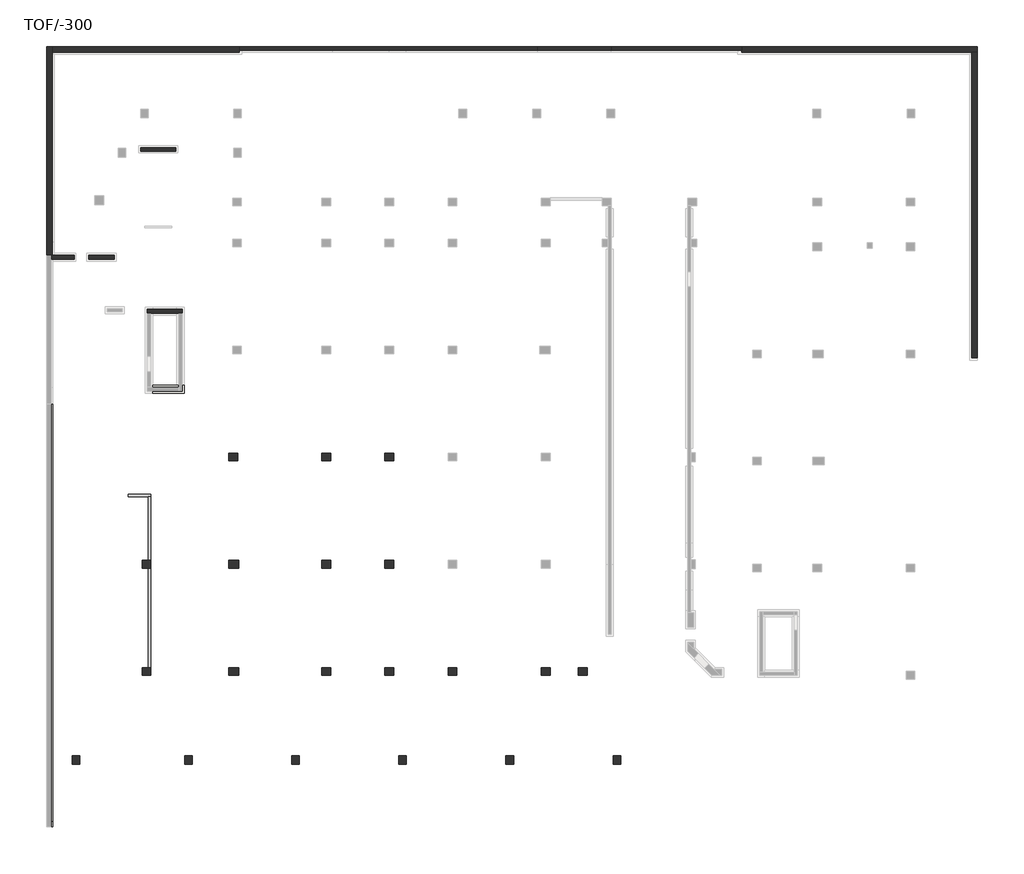
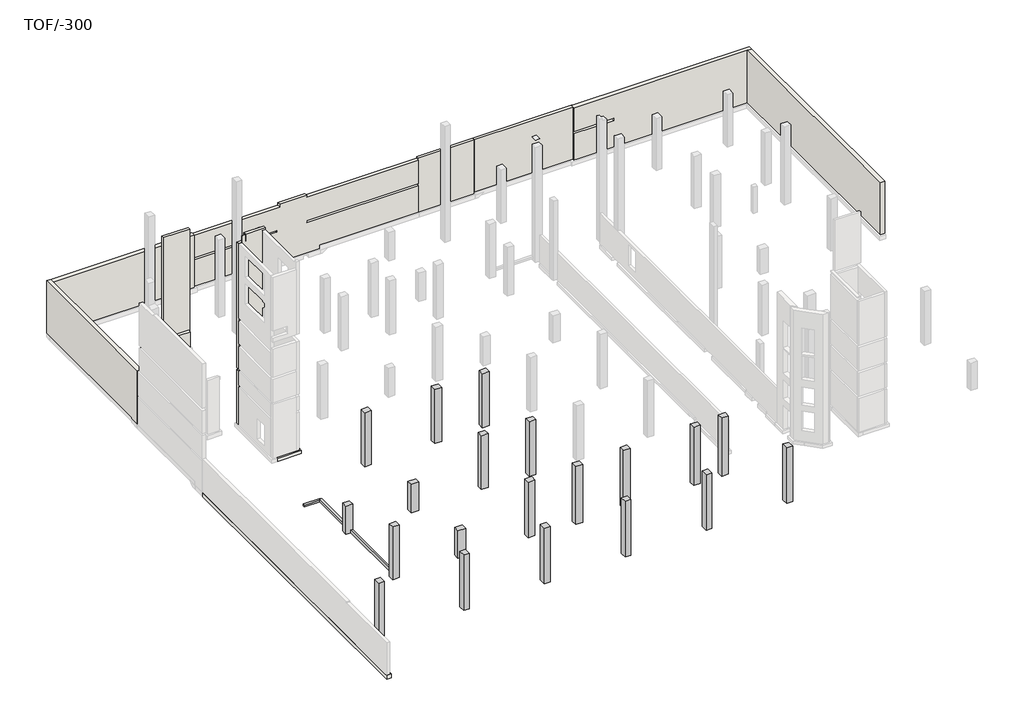
# One storey, part 2 of 4: 20 columns, 11 walls, 2 beams, 2 footings.
"""IFC4 building model written with IfcOpenShell, lengths in millimetres."""

from ifc_helpers import new_model, si_unit, frame, origin, place, context, project, spatial, polyline, outline, extrude, faceted_brep, element, save

model = new_model("IFC4")

# Units and contexts
model_context = context("Model", 3, world=origin())
ifc_project = project(units=[si_unit("LENGTHUNIT", "METRE", prefix="MILLI")], contexts=[model_context])

# Site, building, storey
site = spatial("IfcSite", under=ifc_project)
building = spatial("IfcBuilding", under=site)
storey = spatial("IfcBuildingStorey", under=building, Name="TOF/-300", Elevation=-14100.0)

# Beams
placement = place(None, origin())
element("IfcBeam", 1, ObjectType="200x300", at=placement, inside=storey, context=model_context, shape_type="Brep", body=[
    faceted_brep([(184401.1489175, 183257.2325529, -14100.0), (186001.1489175, 183257.2325529, -14100.0), (186201.1489175, 183257.2325529, -14100.0), (186201.1489175, 183257.2325529, -13900.0), (184401.1489175, 183257.2325529, -13900.0), (184401.1489175, 183457.2325529, -14100.0), (186201.1489175, 183457.2325529, -14100.0), (184401.1489175, 183457.2325529, -13900.0), (186201.1489175, 183457.2325529, -13900.0)], [[[0, 1, 2, 3, 4]], [[0, 5, 6, 2, 1]], [[6, 5, 7, 8]], [[5, 0, 4, 7]], [[2, 6, 8, 3]], [[4, 3, 8, 7]]]),
])
element("IfcBeam", 2, ObjectType="200x300", at=placement, inside=storey, context=model_context, shape_type="Brep", body=[
    faceted_brep([(186001.1489175, 183257.2325529, -13800.0), (186001.1489175, 178263.2322067, -13800.0), (186201.1489175, 178263.2322067, -13800.0), (186201.1489175, 183257.2325529, -13800.0), (186001.1489175, 183257.2325529, -14100.0), (186001.1489175, 178263.2322067, -14100.0), (186201.1489175, 183257.2325529, -14100.0), (186201.1489175, 178263.2322067, -14100.0), (186201.1489175, 183257.2325529, -13900.0)], [[[0, 1, 2, 3]], [[1, 0, 4, 5]], [[4, 6, 7, 5]], [[3, 2, 7, 6, 8]], [[0, 3, 8, 6, 4]], [[2, 1, 5, 7]]]),
    faceted_brep([(186001.1489175, 169863.2322067, -13800.0), (186001.1489175, 177663.2322067, -13800.0), (186001.1489175, 177663.2322067, -14100.0), (186001.1489175, 170363.2322067, -14100.0), (186001.1489175, 170363.2322067, -14000.0), (186001.1489175, 169863.2322067, -14000.0), (186201.1489175, 169863.2322067, -13800.0), (186201.1489175, 177663.2322067, -13800.0), (186201.1489175, 177663.2322067, -14100.0), (186201.1489175, 170363.2322067, -14100.0), (186201.1489175, 169863.2322067, -14000.0), (186201.1489175, 170363.2322067, -14000.0)], [[[0, 1, 2, 3, 4, 5]], [[1, 0, 6, 7]], [[2, 8, 9, 3]], [[7, 6, 10, 11, 9, 8]], [[6, 0, 5, 10]], [[1, 7, 8, 2]], [[4, 11, 10, 5]], [[11, 4, 3, 9]]]),
])

# Columns
element("IfcColumn", 3, ObjectType="SE_CONCRETE COLUMN_RECTANGULAR : 600X700", at=placement, inside=storey, context=model_context, shape_type="Brep", body=[
    faceted_brep([(209496.1491692, 169863.2322067, -14600.0), (210196.1491692, 169863.2322067, -14600.0), (210196.1491692, 169263.2322067, -14600.0), (209496.1491692, 169263.2322067, -14600.0), (209496.1491692, 169863.2322067, -8200.0), (210196.1491692, 169863.2322067, -8200.0), (210196.1491692, 169863.2322067, -8204.9560519), (210196.1491692, 169863.2322067, -8314.9669619), (210196.1491692, 169863.2322067, -11004.9560519), (210196.1491692, 169863.2322067, -11114.9669619), (209496.1491692, 169863.2322067, -11114.9669619), (209496.1491692, 169863.2322067, -11004.9560519), (209496.1491692, 169863.2322067, -8314.9669619), (209496.1491692, 169863.2322067, -8204.9560519), (210196.1491692, 169263.2322067, -8200.0), (209496.1491692, 169263.2322067, -8200.0)], [[[0, 1, 2, 3]], [[4, 5, 6, 7, 8, 9, 1, 0, 10, 11, 12, 13]], [[5, 14, 2, 1, 9, 8, 7, 6]], [[14, 15, 3, 2]], [[15, 4, 13, 12, 11, 10, 0, 3]], [[4, 15, 14, 5]]]),
])
element("IfcColumn", 4, ObjectType="SE_CONCRETE COLUMN_RECTANGULAR : 600X700", at=placement, inside=storey, context=model_context, shape_type="Brep", body=[
    faceted_brep([(192996.1491692, 186063.2322067, -14150.0), (192296.1491692, 186063.2322067, -14150.0), (192296.1491692, 186663.2322067, -14150.0), (192996.1491692, 186663.2322067, -14150.0), (192996.1491692, 186063.2322067, -8200.0), (192296.1491692, 186063.2322067, -8200.0), (192296.1491692, 186063.2322067, -8400.0), (192296.1491692, 186063.2322067, -8510.0), (192296.1491692, 186063.2322067, -11200.0), (192296.1491692, 186063.2322067, -11310.0), (192996.1491692, 186063.2322067, -11310.0), (192996.1491692, 186063.2322067, -11200.0), (192996.1491692, 186063.2322067, -8510.0), (192996.1491692, 186063.2322067, -8400.0), (192296.1491692, 186663.2322067, -8200.0), (192296.1491692, 186663.2322067, -8400.0), (192296.1491692, 186663.2322067, -8510.0), (192296.1491692, 186663.2322067, -11200.0), (192296.1491692, 186663.2322067, -11310.0), (192996.1491692, 186663.2322067, -8200.0), (192996.1491692, 186663.2322067, -8400.0), (192996.1491692, 186663.2322067, -8510.0), (192996.1491692, 186663.2322067, -11200.0), (192996.1491692, 186663.2322067, -11310.0)], [[[0, 1, 2, 3]], [[4, 5, 6, 7, 8, 9, 1, 0, 10, 11, 12, 13]], [[5, 14, 15, 16, 17, 18, 2, 1, 9, 8, 7, 6]], [[14, 19, 20, 21, 22, 23, 3, 2, 18, 17, 16, 15]], [[19, 4, 13, 12, 11, 10, 0, 3, 23, 22, 21, 20]], [[4, 19, 14, 5]]]),
])
element("IfcColumn", 5, ObjectType="SE_CONCRETE COLUMN_RECTANGULAR : 600X700", at=placement, inside=storey, context=model_context, shape_type="Brep", body=[
    faceted_brep([(205246.1491692, 186063.2322067, -14150.0), (204546.1491692, 186063.2322067, -14150.0), (204546.1491692, 186663.2322067, -14150.0), (205246.1491692, 186663.2322067, -14150.0), (205246.1491692, 186063.2322067, -8200.0), (204546.1491692, 186063.2322067, -8200.0), (204546.1491692, 186063.2322067, -8400.0), (204546.1491692, 186063.2322067, -8510.0), (204546.1491692, 186063.2322067, -11200.0), (204546.1491692, 186063.2322067, -11310.0), (205246.1491692, 186063.2322067, -11310.0), (205246.1491692, 186063.2322067, -11200.0), (205246.1491692, 186063.2322067, -8510.0), (205246.1491692, 186063.2322067, -8400.0), (204546.1491692, 186663.2322067, -8200.0), (204546.1491692, 186663.2322067, -8400.0), (204546.1491692, 186663.2322067, -8510.0), (204546.1491692, 186663.2322067, -11200.0), (204546.1491692, 186663.2322067, -11310.0), (205246.1491692, 186663.2322067, -8200.0), (205246.1491692, 186663.2322067, -8400.0), (205246.1491692, 186663.2322067, -8510.0), (205246.1491692, 186663.2322067, -11200.0), (205246.1491692, 186663.2322067, -11310.0)], [[[0, 1, 2, 3]], [[4, 5, 6, 7, 8, 9, 1, 0, 10, 11, 12, 13]], [[5, 14, 15, 16, 17, 18, 2, 1, 9, 8, 7, 6]], [[14, 19, 20, 21, 22, 23, 3, 2, 18, 17, 16, 15]], [[19, 4, 13, 12, 11, 10, 0, 3, 23, 22, 21, 20]], [[4, 19, 14, 5]]]),
])
element("IfcColumn", 6, ObjectType="SE_CONCRETE COLUMN_RECTANGULAR : 600X700", at=placement, inside=storey, context=model_context, shape_type="Brep", body=[
    faceted_brep([(205246.1491692, 177663.2322067, -14400.0), (204546.1491692, 177663.2322067, -14400.0), (204546.1491692, 178263.2322067, -14400.0), (205246.1491692, 178263.2322067, -14400.0), (205246.1491692, 177663.2322067, -8400.0), (204546.1491692, 177663.2322067, -8400.0), (204546.1491692, 177663.2322067, -8425.6530043), (204546.1491692, 177663.2322067, -11115.6420944), (204546.1491692, 177663.2322067, -11225.6530043), (205246.1491692, 177663.2322067, -11225.6530043), (205246.1491692, 177663.2322067, -11115.6420944), (205246.1491692, 177663.2322067, -8425.6530043), (204546.1491692, 178263.2322067, -8400.0), (204546.1491692, 178263.2322067, -8434.1037086), (204546.1491692, 178263.2322067, -11124.0927986), (204546.1491692, 178263.2322067, -11234.1037086), (205246.1491692, 178263.2322067, -8400.0), (205246.1491692, 178263.2322067, -8434.1037086), (205246.1491692, 178263.2322067, -11124.0927986), (205246.1491692, 178263.2322067, -11234.1037086)], [[[0, 1, 2, 3]], [[4, 5, 6, 7, 8, 1, 0, 9, 10, 11]], [[5, 12, 13, 14, 15, 2, 1, 8, 7, 6]], [[12, 16, 17, 18, 19, 3, 2, 15, 14, 13]], [[16, 4, 11, 10, 9, 0, 3, 19, 18, 17]], [[4, 16, 12, 5]]]),
])
element("IfcColumn", 7, ObjectType="SE_CONCRETE COLUMN_RECTANGULAR : 600X700", at=placement, inside=storey, context=model_context, shape_type="Brep", body=[
    faceted_brep([(204546.1491692, 169863.2322067, -14600.0), (205246.1491692, 169863.2322067, -14600.0), (205246.1491692, 169263.2322067, -14600.0), (204546.1491692, 169263.2322067, -14600.0), (204546.1491692, 169863.2322067, -8200.0), (205246.1491692, 169863.2322067, -8200.0), (205246.1491692, 169863.2322067, -8204.9560519), (205246.1491692, 169863.2322067, -8314.9669619), (205246.1491692, 169863.2322067, -11004.9560519), (205246.1491692, 169863.2322067, -11114.9669619), (204546.1491692, 169863.2322067, -11114.9669619), (204546.1491692, 169863.2322067, -11004.9560519), (204546.1491692, 169863.2322067, -8314.9669619), (204546.1491692, 169863.2322067, -8204.9560519), (205246.1491692, 169263.2322067, -8200.0), (204546.1491692, 169263.2322067, -8200.0)], [[[0, 1, 2, 3]], [[4, 5, 6, 7, 8, 9, 1, 0, 10, 11, 12, 13]], [[5, 14, 2, 1, 9, 8, 7, 6]], [[14, 15, 3, 2]], [[15, 4, 13, 12, 11, 10, 0, 3]], [[4, 15, 14, 5]]]),
])
element("IfcColumn", 8, ObjectType="SE_CONCRETE COLUMN_RECTANGULAR : 600X700", at=placement, inside=storey, context=model_context, shape_type="Brep", body=[
    faceted_brep([(200296.1491692, 186063.2322067, -14150.0), (199596.1491692, 186063.2322067, -14150.0), (199596.1491692, 186663.2322067, -14150.0), (200296.1491692, 186663.2322067, -14150.0), (200296.1491692, 186063.2322067, -8200.0), (199596.1491692, 186063.2322067, -8200.0), (199596.1491692, 186063.2322067, -8400.0), (199596.1491692, 186063.2322067, -8510.0), (199596.1491692, 186063.2322067, -11200.0), (199596.1491692, 186063.2322067, -11310.0), (200296.1491692, 186063.2322067, -11310.0), (200296.1491692, 186063.2322067, -11200.0), (200296.1491692, 186063.2322067, -8510.0), (200296.1491692, 186063.2322067, -8400.0), (199596.1491692, 186663.2322067, -8200.0), (199596.1491692, 186663.2322067, -8400.0), (199596.1491692, 186663.2322067, -8510.0), (199596.1491692, 186663.2322067, -11200.0), (199596.1491692, 186663.2322067, -11310.0), (200296.1491692, 186663.2322067, -8200.0), (200296.1491692, 186663.2322067, -8400.0), (200296.1491692, 186663.2322067, -8510.0), (200296.1491692, 186663.2322067, -11200.0), (200296.1491692, 186663.2322067, -11310.0)], [[[0, 1, 2, 3]], [[4, 5, 6, 7, 8, 9, 1, 0, 10, 11, 12, 13]], [[5, 14, 15, 16, 17, 18, 2, 1, 9, 8, 7, 6]], [[14, 19, 20, 21, 22, 23, 3, 2, 18, 17, 16, 15]], [[19, 4, 13, 12, 11, 10, 0, 3, 23, 22, 21, 20]], [[4, 19, 14, 5]]]),
])
element("IfcColumn", 9, ObjectType="SE_CONCRETE COLUMN_RECTANGULAR : 600X700", at=placement, inside=storey, context=model_context, shape_type="Brep", body=[
    faceted_brep([(200296.1491692, 177663.2322067, -14100.0), (199596.1491692, 177663.2322067, -14100.0), (199596.1491692, 178263.2322067, -14100.0), (200296.1491692, 178263.2322067, -14100.0), (200296.1491692, 177663.2322067, -8200.0), (199596.1491692, 177663.2322067, -8200.0), (199596.1491692, 177663.2322067, -8315.6420944), (199596.1491692, 177663.2322067, -8425.6530043), (199596.1491692, 177663.2322067, -11115.6420944), (199596.1491692, 177663.2322067, -11225.6530043), (200296.1491692, 177663.2322067, -11225.6530043), (200296.1491692, 177663.2322067, -11115.6420944), (200296.1491692, 177663.2322067, -8425.6530043), (200296.1491692, 177663.2322067, -8315.6420944), (199596.1491692, 178263.2322067, -8200.0), (199596.1491692, 178263.2322067, -8324.0927986), (199596.1491692, 178263.2322067, -8434.1037086), (199596.1491692, 178263.2322067, -11124.0927986), (199596.1491692, 178263.2322067, -11234.1037086), (200296.1491692, 178263.2322067, -8200.0), (200296.1491692, 178263.2322067, -8324.0927986), (200296.1491692, 178263.2322067, -8434.1037086), (200296.1491692, 178263.2322067, -11124.0927986), (200296.1491692, 178263.2322067, -11234.1037086)], [[[0, 1, 2, 3]], [[4, 5, 6, 7, 8, 9, 1, 0, 10, 11, 12, 13]], [[5, 14, 15, 16, 17, 18, 2, 1, 9, 8, 7, 6]], [[14, 19, 20, 21, 22, 23, 3, 2, 18, 17, 16, 15]], [[19, 4, 13, 12, 11, 10, 0, 3, 23, 22, 21, 20]], [[4, 19, 14, 5]]]),
])
element("IfcColumn", 10, ObjectType="SE_CONCRETE COLUMN_RECTANGULAR : 600X700", at=placement, inside=storey, context=model_context, shape_type="Brep", body=[
    faceted_brep([(199596.1491692, 169863.2322067, -14300.0), (200296.1491692, 169863.2322067, -14300.0), (200296.1491692, 169263.2322067, -14300.0), (199596.1491692, 169263.2322067, -14300.0), (199596.1491692, 169863.2322067, -8200.0), (200296.1491692, 169863.2322067, -8200.0), (200296.1491692, 169863.2322067, -8204.9560519), (200296.1491692, 169863.2322067, -8314.9669619), (200296.1491692, 169863.2322067, -11004.9560519), (200296.1491692, 169863.2322067, -11114.9669619), (199596.1491692, 169863.2322067, -11114.9669619), (199596.1491692, 169863.2322067, -11004.9560519), (199596.1491692, 169863.2322067, -8314.9669619), (199596.1491692, 169863.2322067, -8204.9560519), (200296.1491692, 169263.2322067, -8200.0), (199596.1491692, 169263.2322067, -8200.0)], [[[0, 1, 2, 3]], [[4, 5, 6, 7, 8, 9, 1, 0, 10, 11, 12, 13]], [[5, 14, 2, 1, 9, 8, 7, 6]], [[14, 15, 3, 2]], [[15, 4, 13, 12, 11, 10, 0, 3]], [[4, 15, 14, 5]]]),
])
element("IfcColumn", 11, ObjectType="SE_CONCRETE COLUMN_RECTANGULAR : 600X700", at=placement, inside=storey, context=model_context, shape_type="Brep", body=[
    faceted_brep([(197836.3204833, 162963.2318341, -14300.0), (197836.3204833, 162263.2318341, -14300.0), (197236.3204833, 162263.2318341, -14300.0), (197236.3204833, 162963.2318341, -14300.0), (197836.3204833, 162963.2318341, -8200.0), (197836.3204833, 162263.2318341, -8200.0), (197836.3204833, 162263.2318341, -11000.0), (197836.3204833, 162263.2318341, -11110.0), (197836.3204833, 162963.2318341, -11110.0), (197836.3204833, 162963.2318341, -11000.0), (197236.3204833, 162263.2318341, -8200.0), (197236.3204833, 162263.2318341, -11000.0), (197236.3204833, 162263.2318341, -11110.0), (197236.3204833, 162963.2318341, -8200.0), (197236.3204833, 162963.2318341, -11000.0), (197236.3204833, 162963.2318341, -11110.0)], [[[0, 1, 2, 3]], [[4, 5, 6, 7, 1, 0, 8, 9]], [[5, 10, 11, 12, 2, 1, 7, 6]], [[10, 13, 14, 15, 3, 2, 12, 11]], [[13, 4, 9, 8, 0, 3, 15, 14]], [[4, 13, 10, 5]]]),
])
element("IfcColumn", 12, ObjectType="SE_CONCRETE COLUMN_RECTANGULAR : 600X700", at=placement, inside=storey, context=model_context, shape_type="Brep", body=[
    faceted_brep([(206236.3204833, 162963.2318341, -14300.0), (206236.3204833, 162263.2318341, -14300.0), (205636.3204833, 162263.2318341, -14300.0), (205636.3204833, 162963.2318341, -14300.0), (206236.3204833, 162963.2318341, -8200.0), (206236.3204833, 162263.2318341, -8200.0), (206236.3204833, 162263.2318341, -8310.0), (206236.3204833, 162263.2318341, -11000.0), (206236.3204833, 162263.2318341, -11110.0), (206236.3204833, 162963.2318341, -11110.0), (206236.3204833, 162963.2318341, -11000.0), (206236.3204833, 162963.2318341, -8310.0), (205636.3204833, 162263.2318341, -8200.0), (205636.3204833, 162263.2318341, -8310.0), (205636.3204833, 162263.2318341, -11000.0), (205636.3204833, 162263.2318341, -11110.0), (205636.3204833, 162963.2318341, -8200.0), (205636.3204833, 162963.2318341, -8310.0), (205636.3204833, 162963.2318341, -11000.0), (205636.3204833, 162963.2318341, -11110.0)], [[[0, 1, 2, 3]], [[4, 5, 6, 7, 8, 1, 0, 9, 10, 11]], [[5, 12, 13, 14, 15, 2, 1, 8, 7, 6]], [[12, 16, 17, 18, 19, 3, 2, 15, 14, 13]], [[16, 4, 11, 10, 9, 0, 3, 19, 18, 17]], [[4, 16, 12, 5]]]),
])
element("IfcColumn", 13, ObjectType="SE_CONCRETE COLUMN_RECTANGULAR : 600X700", at=placement, inside=storey, context=model_context, shape_type="Brep", body=[
    faceted_brep([(214636.3204833, 162963.2318341, -14300.0), (214636.3204833, 162263.2318341, -14300.0), (214036.3204833, 162263.2318341, -14300.0), (214036.3204833, 162963.2318341, -14300.0), (214636.3204833, 162963.2318341, -8200.0), (214636.3204833, 162263.2318341, -8200.0), (214636.3204833, 162263.2318341, -8310.0), (214636.3204833, 162263.2318341, -11000.0), (214636.3204833, 162263.2318341, -11110.0), (214636.3204833, 162963.2318341, -11110.0), (214636.3204833, 162963.2318341, -11000.0), (214636.3204833, 162963.2318341, -8310.0), (214036.3204833, 162263.2318341, -8200.0), (214036.3204833, 162263.2318341, -8310.0), (214036.3204833, 162263.2318341, -11000.0), (214036.3204833, 162263.2318341, -11110.0), (214036.3204833, 162963.2318341, -8200.0), (214036.3204833, 162963.2318341, -8310.0), (214036.3204833, 162963.2318341, -11000.0), (214036.3204833, 162963.2318341, -11110.0)], [[[0, 1, 2, 3]], [[4, 5, 6, 7, 8, 1, 0, 9, 10, 11]], [[5, 12, 13, 14, 15, 2, 1, 8, 7, 6]], [[12, 16, 17, 18, 19, 3, 2, 15, 14, 13]], [[16, 4, 11, 10, 9, 0, 3, 19, 18, 17]], [[4, 16, 12, 5]]]),
])
element("IfcColumn", 14, ObjectType="SE_CONCRETE COLUMN_RECTANGULAR : 600X700", at=placement, inside=storey, context=model_context, shape_type="Brep", body=[
    faceted_brep([(223036.3204833, 162963.2318341, -14300.0), (223036.3204833, 162263.2318341, -14300.0), (222436.3204833, 162263.2318341, -14300.0), (222436.3204833, 162963.2318341, -14300.0), (223036.3204833, 162963.2318341, -8200.0), (223036.3204833, 162263.2318341, -8200.0), (223036.3204833, 162263.2318341, -8310.0), (223036.3204833, 162263.2318341, -11000.0), (223036.3204833, 162263.2318341, -11110.0), (223036.3204833, 162963.2318341, -11110.0), (223036.3204833, 162963.2318341, -11000.0), (223036.3204833, 162963.2318341, -8310.0), (222436.3204833, 162263.2318341, -8200.0), (222436.3204833, 162263.2318341, -8310.0), (222436.3204833, 162263.2318341, -11000.0), (222436.3204833, 162263.2318341, -11110.0), (222436.3204833, 162963.2318341, -8200.0), (222436.3204833, 162963.2318341, -8310.0), (222436.3204833, 162963.2318341, -11000.0), (222436.3204833, 162963.2318341, -11110.0)], [[[0, 1, 2, 3]], [[4, 5, 6, 7, 8, 1, 0, 9, 10, 11]], [[5, 12, 13, 14, 15, 2, 1, 8, 7, 6]], [[12, 16, 17, 18, 19, 3, 2, 15, 14, 13]], [[16, 4, 11, 10, 9, 0, 3, 19, 18, 17]], [[4, 16, 12, 5]]]),
])
element("IfcColumn", 15, ObjectType="SE_CONCRETE COLUMN_RECTANGULAR : 600X700", at=placement, inside=storey, context=model_context, shape_type="Brep", body=[
    faceted_brep([(186201.1489175, 177663.2322067, -14100.0), (186001.1489175, 177663.2322067, -14100.0), (185501.1489175, 177663.2322067, -14100.0), (185501.1489175, 178263.2322067, -14100.0), (186001.1489175, 178263.2322067, -14100.0), (186201.1489175, 178263.2322067, -14100.0), (186201.1489175, 177663.2322067, -11000.0), (185501.1489175, 177663.2322067, -11000.0), (185501.1489175, 177663.2322067, -11110.0), (186201.1489175, 177663.2322067, -13800.0), (186201.1489175, 177663.2322067, -11110.0), (185501.1489175, 178263.2322067, -11000.0), (185501.1489175, 178263.2322067, -11110.0), (186201.1489175, 178263.2322067, -11000.0), (186201.1489175, 178263.2322067, -11110.0), (186201.1489175, 178263.2322067, -13800.0)], [[[0, 1, 2, 3, 4, 5]], [[6, 7, 8, 2, 1, 0, 9, 10]], [[7, 11, 12, 3, 2, 8]], [[11, 13, 14, 15, 5, 4, 3, 12]], [[13, 6, 10, 9, 0, 5, 15, 14]], [[6, 13, 11, 7]]]),
])
element("IfcColumn", 16, ObjectType="SE_CONCRETE COLUMN_RECTANGULAR : 600X700", at=placement, inside=storey, context=model_context, shape_type="Brep", body=[
    faceted_brep([(217496.1491692, 169263.2322067, -14600.0), (216796.1491692, 169263.2322067, -14600.0), (216796.1491692, 169863.2322067, -14600.0), (217496.1491692, 169863.2322067, -14600.0), (217496.1491692, 169263.2322067, -8200.0), (216796.1491692, 169263.2322067, -8200.0), (216796.1491692, 169263.2322067, -8310.0), (216796.1491692, 169263.2322067, -11000.0), (216796.1491692, 169263.2322067, -11110.0), (217496.1491692, 169263.2322067, -11110.0), (217496.1491692, 169263.2322067, -11000.0), (217496.1491692, 169263.2322067, -8310.0), (216796.1491692, 169863.2322067, -8200.0), (216796.1491692, 169863.2322067, -8310.0), (216796.1491692, 169863.2322067, -11000.0), (216796.1491692, 169863.2322067, -11110.0), (217496.1491692, 169863.2322067, -8200.0), (217496.1491692, 169863.2322067, -8310.0), (217496.1491692, 169863.2322067, -11000.0), (217496.1491692, 169863.2322067, -11110.0)], [[[0, 1, 2, 3]], [[4, 5, 6, 7, 8, 1, 0, 9, 10, 11]], [[5, 12, 13, 14, 15, 2, 1, 8, 7, 6]], [[12, 16, 17, 18, 19, 3, 2, 15, 14, 13]], [[16, 4, 11, 10, 9, 0, 3, 19, 18, 17]], [[4, 16, 12, 5]]]),
])
element("IfcColumn", 17, ObjectType="SE_CONCRETE COLUMN_RECTANGULAR : 600X700", at=placement, inside=storey, context=model_context, shape_type="Brep", body=[
    faceted_brep([(220406.1491692, 169263.2322067, -14600.0), (219706.1491692, 169263.2322067, -14600.0), (219706.1491692, 169863.2322067, -14600.0), (220406.1491692, 169863.2322067, -14600.0), (220406.1491692, 169263.2322067, -8200.0), (219706.1491692, 169263.2322067, -8200.0), (219706.1491692, 169263.2322067, -8310.0), (219706.1491692, 169263.2322067, -11000.0), (219706.1491692, 169263.2322067, -11110.0), (220406.1491692, 169263.2322067, -11110.0), (220406.1491692, 169263.2322067, -11000.0), (220406.1491692, 169263.2322067, -8310.0), (219706.1491692, 169863.2322067, -8200.0), (219706.1491692, 169863.2322067, -8310.0), (219706.1491692, 169863.2322067, -11000.0), (219706.1491692, 169863.2322067, -11110.0), (220406.1491692, 169863.2322067, -8200.0), (220406.1491692, 169863.2322067, -8310.0), (220406.1491692, 169863.2322067, -11000.0), (220406.1491692, 169863.2322067, -11110.0)], [[[0, 1, 2, 3]], [[4, 5, 6, 7, 8, 1, 0, 9, 10, 11]], [[5, 12, 13, 14, 15, 2, 1, 8, 7, 6]], [[12, 16, 17, 18, 19, 3, 2, 15, 14, 13]], [[16, 4, 11, 10, 9, 0, 3, 19, 18, 17]], [[4, 16, 12, 5]]]),
])
element("IfcColumn", 18, ObjectType="SE_CONCRETE COLUMN_RECTANGULAR : 600X700", at=placement, inside=storey, context=model_context, shape_type="SweptSolid", body=[
    extrude(outline(polyline([(189436.3204833, 162963.2318341), (189436.3204833, 162263.2318341), (188836.3204833, 162263.2318341), (188836.3204833, 162963.2318341), (189436.3204833, 162963.2318341)])), frame((0.0, 0.0, -14300.0), z_axis=(0.0, 0.0, 1.0), x_axis=(1.0, 0.0, 0.0)), (0.0, 0.0, 1.0), 6100.0),
])
element("IfcColumn", 19, ObjectType="SE_CONCRETE COLUMN_RECTANGULAR : 600X700", at=placement, inside=storey, context=model_context, shape_type="Brep", body=[
    faceted_brep([(185501.1489175, 169863.2322067, -14000.0), (186201.1489175, 169863.2322067, -14000.0), (186201.1489175, 169263.2322067, -14000.0), (185501.1489175, 169263.2322067, -14000.0), (185501.1489175, 169863.2322067, -8200.0), (186201.1489175, 169863.2322067, -8200.0), (186201.1489175, 169863.2322067, -11024.0796287), (186201.1489175, 169863.2322067, -11134.0905387), (185501.1489175, 169863.2322067, -11134.0905387), (185501.1489175, 169863.2322067, -11024.0796287), (186201.1489175, 169263.2322067, -8200.0), (186201.1489175, 169263.2322067, -11015.6289245), (186201.1489175, 169263.2322067, -11125.6398345), (185501.1489175, 169263.2322067, -8200.0), (185501.1489175, 169263.2322067, -11015.6289245), (185501.1489175, 169263.2322067, -11125.6398345)], [[[0, 1, 2, 3]], [[4, 5, 6, 7, 1, 0, 8, 9]], [[5, 10, 11, 12, 2, 1, 7, 6]], [[10, 13, 14, 15, 3, 2, 12, 11]], [[13, 4, 9, 8, 0, 3, 15, 14]], [[4, 13, 10, 5]]]),
])
element("IfcColumn", 20, ObjectType="SE_CONCRETE COLUMN_RECTANGULAR : 600X700", at=placement, inside=storey, context=model_context, shape_type="Brep", body=[
    faceted_brep([(180611.3204833, 162963.2318341, -14600.0), (180611.3204833, 162263.2318341, -14600.0), (180011.3204833, 162263.2318341, -14600.0), (180011.3204833, 162963.2318341, -14600.0), (180611.3204833, 162963.2318341, -8200.0), (180611.3204833, 162263.2318341, -8200.0), (180011.3204833, 162263.2318341, -8200.0), (180011.3204833, 162963.2318341, -8200.0), (180311.3204833, 162963.2318341, -8200.0)], [[[0, 1, 2, 3]], [[4, 5, 1, 0]], [[5, 6, 2, 1]], [[6, 7, 3, 2]], [[7, 8, 4, 0, 3]], [[4, 8, 7, 6, 5]]]),
])
element("IfcColumn", 21, ObjectType="SE_CONCRETE COLUMN_RECTANGULAR : 600X800", at=placement, inside=storey, context=model_context, shape_type="Brep", body=[
    faceted_brep([(193096.1491692, 177663.2322067, -14100.0), (192296.1491692, 177663.2322067, -14100.0), (192296.1491692, 178263.2322067, -14100.0), (193096.1491692, 178263.2322067, -14100.0), (193096.1491692, 177663.2322067, -11000.0), (192296.1491692, 177663.2322067, -11000.0), (192296.1491692, 177663.2322067, -11144.3168143), (192296.1491692, 177663.2322067, -11254.3277243), (193096.1491692, 177663.2322067, -11254.3277243), (193096.1491692, 177663.2322067, -11144.3168143), (192296.1491692, 178263.2322067, -11000.0), (192296.1491692, 178263.2322067, -11152.7675185), (192296.1491692, 178263.2322067, -11262.7784285), (193096.1491692, 178263.2322067, -11000.0), (193096.1491692, 178263.2322067, -11152.7675185), (193096.1491692, 178263.2322067, -11262.7784285)], [[[0, 1, 2, 3]], [[4, 5, 6, 7, 1, 0, 8, 9]], [[5, 10, 11, 12, 2, 1, 7, 6]], [[10, 13, 14, 15, 3, 2, 12, 11]], [[13, 4, 9, 8, 0, 3, 15, 14]], [[4, 13, 10, 5]]]),
])
element("IfcColumn", 22, ObjectType="SE_CONCRETE COLUMN_RECTANGULAR : 600X800", at=placement, inside=storey, context=model_context, shape_type="Brep", body=[
    faceted_brep([(192296.1491692, 169863.2322067, -14000.0), (193096.1491692, 169863.2322067, -14000.0), (193096.1491692, 169263.2322067, -14000.0), (192296.1491692, 169263.2322067, -14000.0), (192296.1491692, 169863.2322067, -11000.0), (193096.1491692, 169863.2322067, -11000.0), (193096.1491692, 169863.2322067, -11023.9203066), (193096.1491692, 169863.2322067, -11133.9312166), (192296.1491692, 169863.2322067, -11133.9312166), (192296.1491692, 169863.2322067, -11023.9203066), (193096.1491692, 169263.2322067, -11000.0), (193096.1491692, 169263.2322067, -11015.4696024), (193096.1491692, 169263.2322067, -11125.4805124), (192296.1491692, 169263.2322067, -11000.0), (192296.1491692, 169263.2322067, -11015.4696024), (192296.1491692, 169263.2322067, -11125.4805124)], [[[0, 1, 2, 3]], [[4, 5, 6, 7, 1, 0, 8, 9]], [[5, 10, 11, 12, 2, 1, 7, 6]], [[10, 13, 14, 15, 3, 2, 12, 11]], [[13, 4, 9, 8, 0, 3, 15, 14]], [[4, 13, 10, 5]]]),
])

# Footings
element("IfcFooting", 23, at=placement, inside=storey, context=model_context, shape_type="Brep", body=[
    faceted_brep([(178511.1491693, 190507.2325529, -14650.0), (178511.1491693, 190507.2325529, -15100.0), (178011.1491693, 190507.2325529, -15100.0), (178011.1491693, 190507.2325529, -14650.0), (178361.1491693, 190507.2325529, -14650.0), (178011.1491693, 157363.2318341, -14650.0), (178361.1491693, 157363.2318341, -14650.0), (178361.1491693, 157813.2318341, -14650.0), (178511.1491693, 157813.2318341, -14650.0), (178511.1491693, 183257.2325529, -14650.0), (178511.1491693, 157813.2318341, -14652.5201278), (178511.1491693, 157363.2318341, -14652.5201278), (178511.1491693, 157363.2318341, -15100.0), (178511.1491693, 157813.2318341, -15100.0), (178511.1491693, 183107.2325529, -15100.0), (178511.1491693, 183657.2325529, -15100.0), (178511.1491693, 185757.2325529, -15100.0), (178511.1491693, 186357.2325529, -15100.0), (178511.1491693, 190057.2325529, -15100.0), (178011.1491693, 157363.2318341, -15100.0), (178361.1491693, 157363.2318341, -14652.5201278), (178361.1491693, 157813.2318341, -14652.5201278)], [[[0, 1, 2, 3, 4]], [[3, 5, 6, 7, 8, 9, 0, 4]], [[1, 0, 9, 8, 10, 11, 12, 13, 14, 15, 16, 17, 18]], [[2, 1, 18, 17, 16, 15, 14, 13, 12, 19]], [[3, 2, 19, 5]], [[5, 19, 12, 11, 20, 6]], [[21, 10, 8, 7]], [[20, 21, 7, 6]], [[21, 20, 11, 10]]]),
])
element("IfcFooting", 24, at=placement, inside=storey, context=model_context, shape_type="Brep", body=[
    faceted_brep([(188811.1489175, 191992.6490083, -14350.0), (188211.1489175, 191992.6490083, -14350.0), (186351.1489175, 191992.6490083, -14350.0), (186351.1489175, 191392.6490083, -14350.0), (188811.1489175, 191392.6490083, -14350.0), (188811.1489175, 191392.6490083, -14700.0), (186351.1489175, 191392.6490083, -14700.0), (188811.1489175, 191992.6490083, -14700.0), (186351.1489175, 191992.6490083, -14700.0), (188211.1489175, 191992.6490083, -14700.0)], [[[0, 1, 2, 3, 4]], [[5, 4, 3, 6]], [[7, 5, 6, 8, 9]], [[0, 7, 9, 8, 2, 1]], [[0, 4, 5, 7]], [[3, 2, 8, 6]]]),
])

# Walls
element("IfcWall", 25, ObjectType="250 WALL", at=placement, inside=storey, context=model_context, shape_type="SweptSolid", body=[
    extrude(outline(polyline([(188161.1489205, 210368.1983002), (185401.1489205, 210368.1983002), (185401.1489205, 210618.1983002), (188161.1489205, 210618.1983002), (188161.1489205, 210368.1983002)])), frame((0.0, 0.0, -14350.0), z_axis=(0.0, 0.0, 1.0), x_axis=(1.0, 0.0, 0.0)), (0.0, 0.0, 1.0), 13070.0),
])
element("IfcWall", 26, ObjectType="300 WALL", at=placement, inside=storey, context=model_context, shape_type="Brep", body=[
    faceted_brep([(185901.1489175, 197657.6490083, -14350.0), (186201.1489175, 197657.6490083, -14350.0), (188361.1489175, 197657.6490083, -14350.0), (188661.1489175, 197657.6490083, -14350.0), (188661.1489175, 197657.6490083, -10150.0), (188661.1489175, 197657.6490083, -9950.0), (188661.1489175, 197657.6490083, -8400.0), (188361.1489175, 197657.6490083, -8400.0), (188361.1489175, 197657.6490083, -8200.0), (188661.1489175, 197657.6490083, -8200.0), (188661.1489175, 197657.6490083, -5650.0), (188661.1489175, 197657.6490083, -5450.0), (188661.1489175, 197657.6490083, -2350.0), (188661.1489175, 197657.6490083, -1550.0), (188661.1489175, 197657.6490083, 2420.0), (188661.1489175, 197657.6490083, 2670.0), (188661.1489175, 197657.6490083, 6200.0), (188661.1489175, 197657.6490083, 6400.0), (186201.1489175, 197657.6490083, 6400.0), (186201.1489175, 197657.6490083, 5600.0), (185901.1489175, 197657.6490083, 5600.0), (185901.1489175, 197657.6490083, 2670.0), (185901.1489175, 197657.6490083, 2420.0), (185901.1489175, 197657.6490083, -2600.0), (185901.1489175, 197657.6490083, -2900.0), (185901.1489175, 197657.6490083, -5400.0), (185901.1489175, 197657.6490083, -5700.0), (185901.1489175, 197657.6490083, -8200.0), (186201.1489175, 197657.6490083, -8200.0), (186201.1489175, 197657.6490083, -8400.0), (185901.1489175, 197657.6490083, -8400.0), (185901.1489175, 197657.6490083, -9950.0), (185901.1489175, 197657.6490083, -10150.0), (188661.1489175, 197957.6490083, -14350.0), (185901.1489175, 197957.6490083, -14350.0), (185901.1489175, 197957.6490083, -8400.0), (186201.1489175, 197957.6490083, -8400.0), (187556.1491692, 197957.6490083, -8400.0), (188661.1489175, 197957.6490083, -8400.0), (186201.1489175, 197957.6490083, -8200.0), (185901.1489175, 197957.6490083, -8200.0), (185901.1489175, 197957.6490083, -2600.0), (185901.1489175, 197957.6490083, -310.0), (185901.1489175, 197957.6490083, 5600.0), (186631.1489175, 197957.6490083, 5600.0), (186631.1489175, 197957.6490083, 6400.0), (188661.1489175, 197957.6490083, 6400.0), (188661.1489175, 197957.6490083, -8200.0), (187556.1491692, 197957.6490083, -8200.0), (186631.1489175, 197658.2322067, 6400.0), (186201.1489175, 197658.2322067, 6400.0), (186201.1489175, 197658.2322067, -8400.0), (188361.1489175, 197658.2322067, -8400.0), (188361.1489175, 197658.2322067, -8200.0), (186201.1489175, 197658.2322067, -8200.0), (186201.1489175, 197658.2322067, 5600.0), (186631.1489175, 197658.2322067, 5600.0)], [[[0, 1, 2, 3, 4, 5, 6, 7, 8, 9, 10, 11, 12, 13, 14, 15, 16, 17, 18, 19, 20, 21, 22, 23, 24, 25, 26, 27, 28, 29, 30, 31, 32]], [[33, 34, 35, 36, 37, 38]], [[39, 40, 41, 42, 43, 44, 45, 46, 47, 48]], [[3, 2, 1, 0, 34, 33]], [[17, 46, 45, 49, 50, 18]], [[3, 33, 38, 6, 5, 4]], [[46, 17, 16, 15, 14, 13, 12, 11, 10, 9, 47]], [[34, 0, 32, 31, 30, 35]], [[40, 27, 26, 25, 24, 23, 22, 21, 20, 43, 42, 41]], [[51, 52, 7, 6, 38, 37, 36, 35, 30, 29]], [[53, 54, 28, 27, 40, 39, 48, 47, 9, 8]], [[52, 51, 54, 53]], [[54, 51, 29, 28]], [[52, 53, 8, 7]], [[55, 56, 44, 43, 20, 19]], [[50, 55, 19, 18]], [[56, 49, 45, 44]], [[56, 55, 50, 49]]]),
])
element("IfcWall", 27, ObjectType="300 WALL", at=placement, inside=storey, context=model_context, shape_type="SweptSolid", body=[
    extrude(outline(polyline([(181321.3204833, 202193.1983002), (183321.3204833, 202193.1983002), (183321.3204833, 201893.1983002), (181321.3204833, 201893.1983002), (181321.3204833, 202193.1983002)])), frame((0.0, 0.0, -14350.0), z_axis=(0.0, 0.0, 1.0), x_axis=(1.0, 0.0, 0.0)), (0.0, 0.0, 1.0), 8585.0),
])
element("IfcWall", 28, ObjectType="300 WALL", at=placement, inside=storey, context=model_context, shape_type="Brep", body=[
    faceted_brep([(180166.1491693, 202193.1983002, -14350.0), (178361.1491693, 202193.1983002, -14350.0), (178361.1491693, 202193.1983002, -14250.0), (178361.1491693, 202193.1983002, -11200.0), (180166.1491693, 202193.1983002, -11200.0), (178361.1491693, 201893.1983002, -14350.0), (180166.1491693, 201893.1983002, -14350.0), (180166.1491693, 201893.1983002, -11200.0), (178361.1491693, 201893.1983002, -11200.0)], [[[0, 1, 2, 3, 4]], [[5, 6, 7, 8]], [[1, 0, 6, 5]], [[6, 0, 4, 7]], [[1, 5, 8, 3, 2]], [[4, 3, 8, 7]]]),
    faceted_brep([(178361.1491693, 202193.1983002, -5765.0), (180166.1491693, 202193.1983002, -5765.0), (180166.1491693, 202193.1983002, -8200.0), (178361.1491693, 202193.1983002, -8200.0), (180166.1491693, 201893.1983002, -5765.0), (178361.1491693, 201893.1983002, -5765.0), (178361.1491693, 201893.1983002, -8200.0), (180166.1491693, 201893.1983002, -8200.0)], [[[0, 1, 2, 3]], [[4, 5, 6, 7]], [[1, 4, 7, 2]], [[5, 0, 3, 6]], [[1, 0, 5, 4]], [[3, 2, 7, 6]]]),
    faceted_brep([(178361.1491693, 202193.1983002, -8400.0), (178460.9778552, 202193.1983002, -8400.0), (180166.1491693, 202193.1983002, -8400.0), (180166.1491693, 202193.1983002, -11000.0), (178361.1491693, 202193.1983002, -11000.0), (180166.1491693, 201893.1983002, -8400.0), (178361.1491693, 201893.1983002, -8400.0), (178361.1491693, 201893.1983002, -11000.0), (180166.1491693, 201893.1983002, -11000.0)], [[[0, 1, 2, 3, 4]], [[5, 6, 7, 8]], [[2, 5, 8, 3]], [[6, 0, 4, 7]], [[2, 1, 0, 6, 5]], [[4, 3, 8, 7]]]),
])
element("IfcWall", 29, ObjectType="300 WALL", at=placement, inside=storey, context=model_context, shape_type="Brep", body=[
    faceted_brep([(193106.1491692, 218263.2318341, -14150.0), (200401.1491692, 218263.2318341, -14150.0), (200401.1491692, 218263.2318341, -14550.0), (206202.1491692, 218263.2318341, -14550.0), (206202.1491692, 218263.2318341, -14150.0), (216475.5971201, 218263.2318341, -14150.0), (216475.5971201, 218263.2318341, -11200.0), (204852.1491692, 218263.2318341, -11200.0), (204852.1491692, 218263.2318341, -11000.0), (216475.5971201, 218263.2318341, -11000.0), (216475.5971201, 218263.2318341, -8400.0), (204852.1491692, 218263.2318341, -8400.0), (204852.1491692, 218263.2318341, -8200.0), (202051.1491692, 218263.2318341, -8200.0), (202051.1491692, 218263.2318341, -8510.0), (201751.1491692, 218263.2318341, -8510.0), (193106.1491692, 218263.2318341, -8510.0), (193106.1491692, 218263.2318341, -11000.0), (201751.1491692, 218263.2318341, -11000.0), (201751.1491692, 218263.2318341, -11200.0), (193106.1491692, 218263.2318341, -11200.0), (200401.1491692, 218563.2318341, -14150.0), (193106.1491692, 218563.2318341, -14150.0), (193106.1491692, 218563.2318341, -11200.0), (201751.1491692, 218563.2318341, -11200.0), (201751.1491692, 218563.2318341, -11000.0), (193106.1491692, 218563.2318341, -11000.0), (193106.1491692, 218563.2318341, -8510.0), (202051.1491692, 218563.2318341, -8510.0), (202051.1491692, 218563.2318341, -8200.0), (204852.1491692, 218563.2318341, -8200.0), (204852.1491692, 218563.2318341, -8400.0), (216475.5971201, 218563.2318341, -8400.0), (216475.5971201, 218563.2318341, -11000.0), (204852.1491692, 218563.2318341, -11000.0), (204852.1491692, 218563.2318341, -11200.0), (216475.5971201, 218563.2318341, -11200.0), (216475.5971201, 218563.2318341, -14150.0), (206202.1491692, 218563.2318341, -14150.0), (206202.1491692, 218563.2318341, -14550.0), (200401.1491692, 218563.2318341, -14550.0)], [[[0, 1, 2, 3, 4, 5, 6, 7, 8, 9, 10, 11, 12, 13, 14, 15, 16, 17, 18, 19, 20]], [[21, 22, 23, 24, 25, 26, 27, 28, 29, 30, 31, 32, 33, 34, 35, 36, 37, 38, 39, 40]], [[1, 0, 22, 21]], [[9, 33, 32, 10]], [[5, 37, 36, 6]], [[12, 30, 29, 13]], [[26, 17, 16, 27]], [[22, 0, 20, 23]], [[2, 1, 21, 40]], [[3, 2, 40, 39]], [[4, 3, 39, 38]], [[5, 4, 38, 37]], [[19, 24, 23, 20]], [[35, 7, 6, 36]], [[25, 18, 17, 26]], [[8, 34, 33, 9]], [[24, 19, 18, 25]], [[7, 35, 34, 8]], [[31, 11, 10, 32]], [[11, 31, 30, 12]], [[14, 28, 27, 16, 15]], [[28, 14, 13, 29]]]),
])
element("IfcWall", 30, ObjectType="300 WALL", at=placement, inside=storey, context=model_context, shape_type="Brep", body=[
    faceted_brep([(216475.5971201, 218263.2318341, -14150.0), (222275.5971201, 218263.2318341, -14150.0), (222275.5971201, 218263.2318341, -13950.0), (222275.5971201, 218263.2318341, -8200.0), (216475.5971201, 218263.2318341, -8200.0), (216475.5971201, 218263.2318341, -8400.0), (216475.5971201, 218263.2318341, -11000.0), (216475.5971201, 218263.2318341, -11200.0), (216475.5971201, 218563.2318341, -14150.0), (216475.5971201, 218563.2318341, -11200.0), (216475.5971201, 218563.2318341, -11000.0), (216475.5971201, 218563.2318341, -8400.0), (216475.5971201, 218563.2318341, -8200.0), (222275.5971201, 218563.2318341, -8200.0), (222275.5971201, 218563.2318341, -13950.0), (222275.5971201, 218563.2318341, -14150.0)], [[[0, 1, 2, 3, 4, 5, 6, 7]], [[8, 9, 10, 11, 12, 13, 14, 15]], [[1, 0, 8, 15]], [[3, 2, 1, 15, 14, 13]], [[4, 3, 13, 12]], [[0, 7, 6, 5, 4, 12, 11, 10, 9, 8]]]),
])
element("IfcWall", 31, ObjectType="300 WALL", at=placement, inside=storey, context=model_context, shape_type="Brep", body=[
    faceted_brep([(222275.5971201, 218263.2318341, -13950.0), (232525.5971201, 218263.2318341, -13950.0), (232525.5971201, 218263.2318341, -8200.0), (232375.5971201, 218263.2318341, -8200.0), (222275.5971201, 218263.2318341, -8200.0), (222275.5971201, 218563.2318341, -13950.0), (222275.5971201, 218563.2318341, -8200.0), (232375.5971201, 218563.2318341, -8200.0), (232525.5971201, 218563.2318341, -8200.0), (232525.5971201, 218563.2318341, -10800.0), (232525.5971201, 218563.2318341, -11050.0), (232525.5971201, 218563.2318341, -13950.0)], [[[0, 1, 2, 3, 4]], [[5, 6, 7, 8, 9, 10, 11]], [[1, 0, 5, 11]], [[2, 1, 11, 10, 9, 8]], [[4, 3, 2, 8, 7, 6]], [[0, 4, 6, 5]]]),
])
element("IfcWall", 32, ObjectType="450 WALL", at=placement, inside=storey, context=model_context, shape_type="Brep", body=[
    faceted_brep([(178010.9778552, 218563.2318341, -14150.0), (178010.9778552, 203243.1983002, -14150.0), (178010.9778552, 203243.1983002, -14250.0), (178010.9778552, 202193.1983002, -14250.0), (178010.9778552, 202193.1983002, -8400.0), (178010.9778552, 218563.2318341, -8400.0), (178460.9778552, 218563.2318341, -14150.0), (178460.9778552, 218563.2318341, -8400.0), (178460.9778552, 218113.2318341, -8400.0), (178460.9778552, 202193.1983002, -8400.0), (178460.9778552, 202193.1983002, -14250.0), (178460.9778552, 203243.1983002, -14250.0), (178460.9778552, 203243.1983002, -14150.0), (178460.9778552, 218113.2318341, -14150.0), (178011.1491693, 202193.1983002, -14250.0), (178361.1491693, 202193.1983002, -14250.0), (178361.1491693, 202193.1983002, -8400.0), (178011.1491693, 202193.1983002, -8400.0)], [[[0, 1, 2, 3, 4, 5]], [[6, 7, 8, 9, 10, 11, 12, 13]], [[1, 0, 6, 13, 12]], [[4, 3, 14, 15, 10, 9, 16, 17]], [[5, 4, 17, 16, 9, 8, 7]], [[2, 1, 12, 11]], [[3, 2, 11, 10, 15, 14]], [[0, 5, 7, 6]]]),
])
element("IfcWall", 33, ObjectType="450 WALL", at=placement, inside=storey, context=model_context, shape_type="Brep", body=[
    faceted_brep([(251011.1491692, 218563.2318341, -13950.0), (232525.5971201, 218563.2318341, -13950.0), (232525.5971201, 218563.2318341, -11050.0), (236677.4721706, 218563.2318341, -11050.0), (236677.4721706, 218563.2318341, -10800.0), (232525.5971201, 218563.2318341, -10800.0), (232525.5971201, 218563.2318341, -8200.0), (232625.5971201, 218563.2318341, -8200.0), (251011.1491692, 218563.2318341, -8200.0), (232525.5971201, 218113.2318341, -13950.0), (250561.1491692, 218113.2318341, -13950.0), (251011.1491692, 218113.2318341, -13950.0), (251011.1491692, 218113.2318341, -8200.0), (250561.1491692, 218113.2318341, -8200.0), (232625.5971201, 218113.2318341, -8200.0), (232525.5971201, 218113.2318341, -8200.0), (232525.5971201, 218113.2318341, -10800.0), (236677.4721706, 218113.2318341, -10800.0), (236677.4721706, 218113.2318341, -11050.0), (232525.5971201, 218113.2318341, -11050.0), (232525.5971201, 218263.2318341, -13950.0), (232525.5971201, 218263.2318341, -8200.0)], [[[0, 1, 2, 3, 4, 5, 6, 7, 8]], [[9, 10, 11, 12, 13, 14, 15, 16, 17, 18, 19]], [[1, 0, 11, 10, 9, 20]], [[1, 20, 9, 19, 2]], [[15, 21, 6, 5, 16]], [[8, 7, 6, 21, 15, 14, 13, 12]], [[18, 3, 2, 19]], [[4, 17, 16, 5]], [[3, 18, 17, 4]], [[0, 8, 12, 11]]]),
])
element("IfcWall", 34, ObjectType="450 WALL", at=placement, inside=storey, context=model_context, shape_type="Brep", body=[
    faceted_brep([(193106.1491692, 218563.2318341, -14150.0), (178460.9778552, 218563.2318341, -14150.0), (178460.9778552, 218563.2318341, -8400.0), (193106.1491692, 218563.2318341, -8400.0), (193106.1491692, 218563.2318341, -8510.0), (193106.1491692, 218563.2318341, -11000.0), (193106.1491692, 218563.2318341, -11200.0), (193106.1491692, 218113.2318341, -14150.0), (193106.1491692, 218113.2318341, -8400.0), (178460.9778552, 218113.2318341, -8400.0), (178460.9778552, 218113.2318341, -14150.0), (193106.1491692, 218263.2318341, -14150.0)], [[[0, 1, 2, 3, 4, 5, 6]], [[7, 8, 9, 10]], [[1, 0, 11, 7, 10]], [[3, 2, 9, 8]], [[0, 6, 5, 4, 3, 8, 7, 11]], [[2, 1, 10, 9]]]),
])
element("IfcWall", 35, ObjectType="450 WALL", at=placement, inside=storey, context=model_context, shape_type="Brep", body=[
    faceted_brep([(251011.1491692, 194163.2322067, -13950.0), (251011.1491692, 218113.2318341, -13950.0), (251011.1491692, 218113.2318341, -8200.0), (251011.1491692, 194163.2322067, -8200.0), (251011.1491692, 194163.2322067, -10800.0), (251011.1491692, 194163.2322067, -11000.0), (250561.1491692, 194163.2322067, -13950.0), (250561.1491692, 194163.2322067, -8200.0), (250561.1491692, 218113.2318341, -8200.0), (250561.1491692, 218113.2318341, -13950.0), (250711.1491692, 194163.2322067, -13950.0), (250711.1491692, 194163.2322067, -8200.0)], [[[0, 1, 2, 3, 4, 5]], [[6, 7, 8, 9]], [[2, 1, 9, 8]], [[1, 0, 10, 6, 9]], [[3, 2, 8, 7, 11]], [[0, 5, 4, 3, 11, 7, 6, 10]]]),
])

save(model, "model.ifc")
